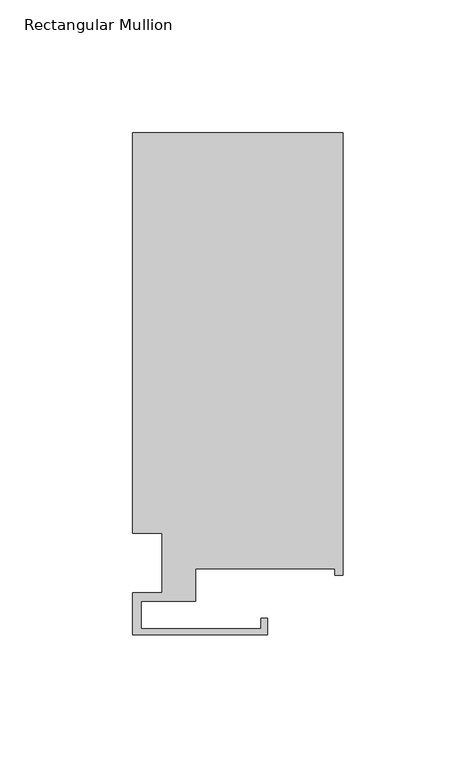
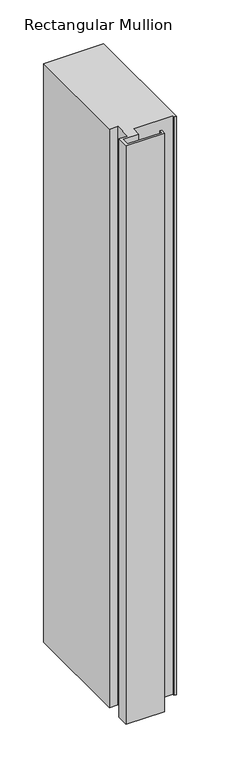
"""IFC4 building model written with IfcOpenShell, lengths in millimetres: member geometry, Rectangular Mullion."""

from ifc_helpers import new_model, si_unit, frame, origin, place, context, project, spatial, polyline, outline, extrude, source, transform, mapped, element, save


def rectangular_mullion_7aa505bf(model_context):
    return source(origin(), model_context, "Body", "SweptSolid", [
        extrude(outline(polyline([(-68.2625, -38.0563438), (-68.2625, -15.5773438), (-79.375, -15.5773438), (-79.375, 135.2351562), (0.0, 135.2351562), (0.0, -31.4523438), (-3.175, -31.4523438), (-3.175, -29.0647438), (-55.5498, -29.0647438), (-55.5498, -41.2313438), (-76.2, -41.2313438), (-76.2, -51.5691438), (-30.9372, -51.5691438), (-30.9372, -47.5813438), (-28.575, -47.5813438), (-28.575, -53.9313438), (-79.375, -53.9313438), (-79.375, -38.0563438), (-68.2625, -38.0563438)])), frame((0.0, 0.0, -807.9278414), z_axis=(0.0, 0.0, 1.0), x_axis=(1.0, 0.0, 0.0)), (0.0, 0.0, 1.0), 807.9278414),
    ])


if __name__ == "__main__":
    model = new_model("IFC4")
    model_context = context("Model", 3, world=origin())
    ifc_project = project(units=[si_unit("LENGTHUNIT", "METRE", prefix="MILLI")], contexts=[model_context])
    site = spatial("IfcSite", under=ifc_project)
    building = spatial("IfcBuilding", under=site)
    placement = place(None, origin())
    rectangular_mullion_shape = rectangular_mullion_7aa505bf(model_context)
    element("IfcMember", 1, ObjectType="Rectangular Mullion", at=placement, inside=building, context=model_context, shape_type="MappedRepresentation", body=[
        mapped(rectangular_mullion_shape, transform((0.0, 0.0, 0.0), x_axis=(1.0, 0.0, 0.0), y_axis=(0.0, 1.0, 0.0), z_axis=(0.0, 0.0, 1.0))),
    ])
    save(model, "model.ifc")
